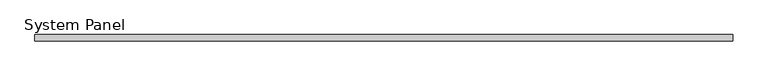
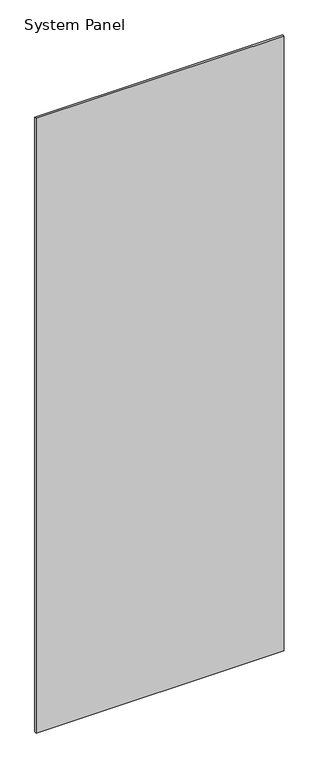
"""IFC4 building model written with IfcOpenShell, lengths in millimetres: plate geometry, System Panel."""

from ifc_helpers import new_model, si_unit, origin, origin_with_axes, place, context, project, spatial, polyline, outline, extrude, source, transform, mapped, element, save


def system_panel_c6153866(model_context):
    return source(origin(), model_context, "Body", "SweptSolid", [
        extrude(outline(polyline([(571.5000001, -5.0), (-571.5000001, -5.0), (-571.5000001, 5.0), (571.5000001, 5.0), (571.5000001, -5.0)])), origin_with_axes(), (0.0, 0.0, 1.0), 2991.6097048),
    ])


if __name__ == "__main__":
    model = new_model("IFC4")
    model_context = context("Model", 3, world=origin())
    ifc_project = project(units=[si_unit("LENGTHUNIT", "METRE", prefix="MILLI")], contexts=[model_context])
    site = spatial("IfcSite", under=ifc_project)
    building = spatial("IfcBuilding", under=site)
    placement = place(None, origin())
    system_panel_shape = system_panel_c6153866(model_context)
    element("IfcPlate", 1, ObjectType="System Panel", at=placement, inside=building, context=model_context, shape_type="MappedRepresentation", body=[
        mapped(system_panel_shape, transform((0.0, 0.0, 0.0), x_axis=(1.0, 0.0, 0.0), y_axis=(0.0, 1.0, 0.0), z_axis=(0.0, 0.0, 1.0))),
    ])
    save(model, "model.ifc")
